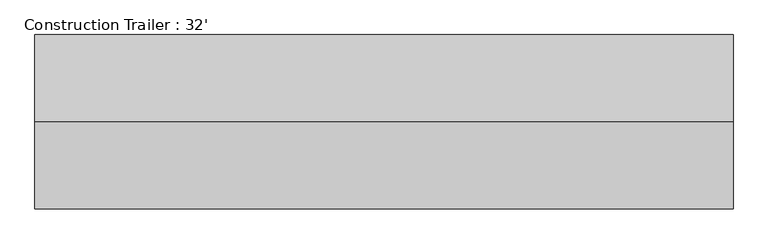
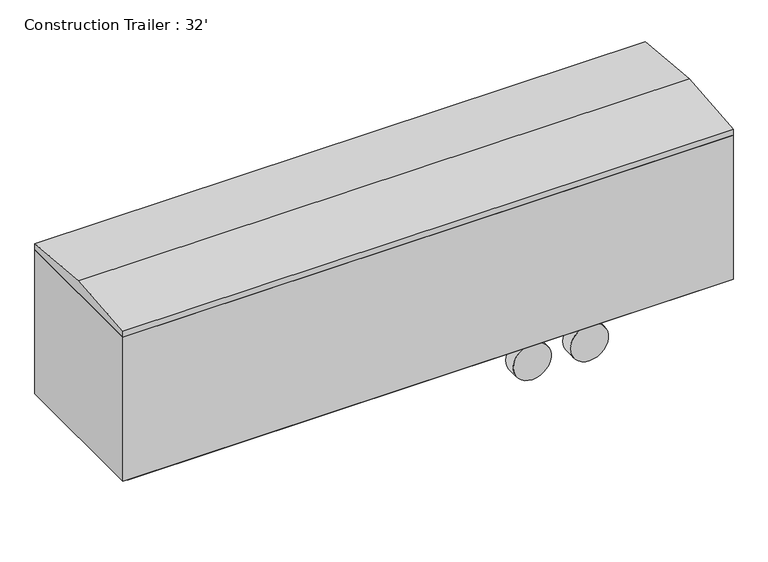
"""IFC4 building model written with IfcOpenShell, lengths in millimetres: geographic element geometry, Construction Trailer : 32'."""

from ifc_helpers import new_model, si_unit, point, frame, frame_2d, origin, place, context, project, spatial, polyline, circle_curve, trimmed, segment, composite_curve, outline, extrude, source, transform, mapped, element, save


def construction_trailer_32_a067dfd5(model_context):
    return source(origin(), model_context, "Body", "SweptSolid", [
        extrude(outline(polyline([(4876.8, 1219.2), (4876.8, -1219.2), (-4876.8, -1219.2), (-4876.8, 1219.2), (4876.8, 1219.2)])), frame((0.0, 0.0, 762.0), z_axis=(0.0, 0.0, 1.0), x_axis=(1.0, 0.0, 0.0)), (0.0, 0.0, 1.0), 2438.4),
        extrude(outline(composite_curve([segment(trimmed(circle_curve(frame_2d((300.5237604, 2722.1639401)), 304.8), [point((605.3237604, 2722.1639401))], [point((-4.2762396, 2722.1639401))], False, "CARTESIAN"), True, "CONTINUOUS"), segment(trimmed(circle_curve(frame_2d((300.5237604, 2722.1639401)), 304.8), [point((-4.2762396, 2722.1639401))], [point((605.3237604, 2722.1639401))], False, "CARTESIAN"), True, "CONTINUOUS")], self_intersect=False)), frame((0.0, 767.9364473, 0.0), z_axis=(0.0, 1.0, 0.0), x_axis=(0.0, 0.0, 1.0)), (0.0, 0.0, 1.0), 206.9356151),
        extrude(outline(composite_curve([segment(trimmed(circle_curve(frame_2d((300.5237604, 1807.7639401)), 304.8), [point((605.3237604, 1807.7639401))], [point((-4.2762396, 1807.7639401))], False, "CARTESIAN"), True, "CONTINUOUS"), segment(trimmed(circle_curve(frame_2d((300.5237604, 1807.7639401)), 304.8), [point((-4.2762396, 1807.7639401))], [point((605.3237604, 1807.7639401))], False, "CARTESIAN"), True, "CONTINUOUS")], self_intersect=False)), frame((0.0, 767.9364473, 0.0), z_axis=(0.0, 1.0, 0.0), x_axis=(0.0, 0.0, 1.0)), (0.0, 0.0, 1.0), 206.9869902),
        extrude(outline(composite_curve([segment(trimmed(circle_curve(frame_2d((300.5237604, 2722.1639401)), 304.8), [point((605.3237604, 2722.1639401))], [point((-4.2762396, 2722.1639401))], False, "CARTESIAN"), True, "CONTINUOUS"), segment(trimmed(circle_curve(frame_2d((300.5237604, 2722.1639401)), 304.8), [point((-4.2762396, 2722.1639401))], [point((605.3237604, 2722.1639401))], False, "CARTESIAN"), True, "CONTINUOUS")], self_intersect=False)), frame((0.0, -974.8720623, 0.0), z_axis=(0.0, 1.0, 0.0), x_axis=(0.0, 0.0, 1.0)), (0.0, 0.0, 1.0), 206.9356151),
        extrude(outline(composite_curve([segment(trimmed(circle_curve(frame_2d((300.5237604, 1807.7639401)), 304.8), [point((605.3237604, 1807.7639401))], [point((-4.2762396, 1807.7639401))], False, "CARTESIAN"), True, "CONTINUOUS"), segment(trimmed(circle_curve(frame_2d((300.5237604, 1807.7639401)), 304.8), [point((-4.2762396, 1807.7639401))], [point((605.3237604, 1807.7639401))], False, "CARTESIAN"), True, "CONTINUOUS")], self_intersect=False)), frame((0.0, -974.8720623, 0.0), z_axis=(0.0, 1.0, 0.0), x_axis=(0.0, 0.0, 1.0)), (0.0, 0.0, 1.0), 206.9356151),
        extrude(outline(polyline([(1219.2, 3302.0), (1219.2, 3200.4), (-1219.2, 3200.4), (-1219.2, 3302.0), (0.0, 3416.0590808), (1219.2, 3302.0)])), frame((-4876.8, 0.0, 0.0), z_axis=(1.0, 0.0, 0.0), x_axis=(0.0, 1.0, 0.0)), (0.0, 0.0, 1.0), 9753.6),
        extrude(outline(polyline([(4724.4, -1066.8), (-4724.4, -1066.8), (-4724.4, 1066.8), (4724.4, 1066.8), (4724.4, -1066.8)])), frame((0.0, 0.0, 640.3643069), z_axis=(0.0, 0.0, 1.0), x_axis=(1.0, 0.0, 0.0)), (0.0, 0.0, 1.0), 121.6356931),
    ])


if __name__ == "__main__":
    model = new_model("IFC4")
    model_context = context("Model", 3, world=origin())
    ifc_project = project(units=[si_unit("LENGTHUNIT", "METRE", prefix="MILLI")], contexts=[model_context])
    site = spatial("IfcSite", under=ifc_project)
    building = spatial("IfcBuilding", under=site)
    placement = place(None, origin())
    construction_trailer_32_shape = construction_trailer_32_a067dfd5(model_context)
    element("IfcGeographicElement", 1, ObjectType="Construction Trailer : 32'", at=placement, inside=building, context=model_context, shape_type="MappedRepresentation", body=[
        mapped(construction_trailer_32_shape, transform((0.0, 0.0, 0.0), x_axis=(1.0, 0.0, 0.0), y_axis=(0.0, 1.0, 0.0), z_axis=(0.0, 0.0, 1.0))),
    ])
    save(model, "model.ifc")
